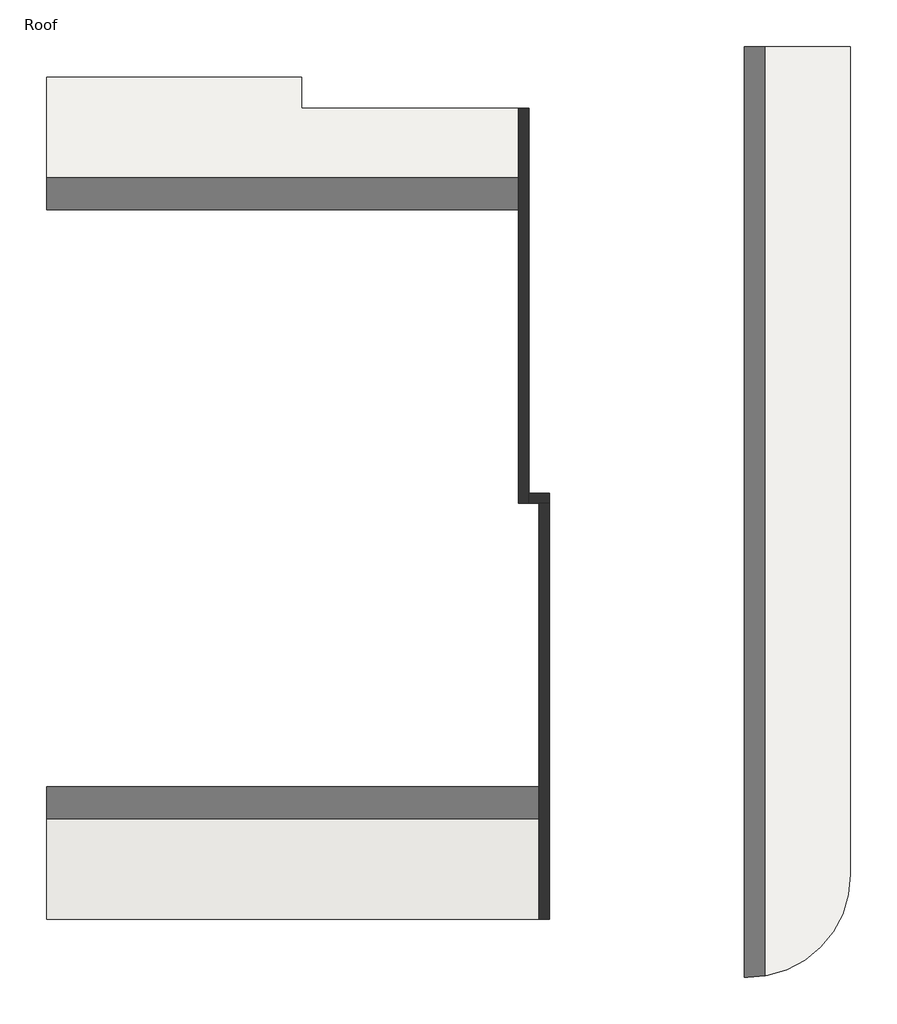
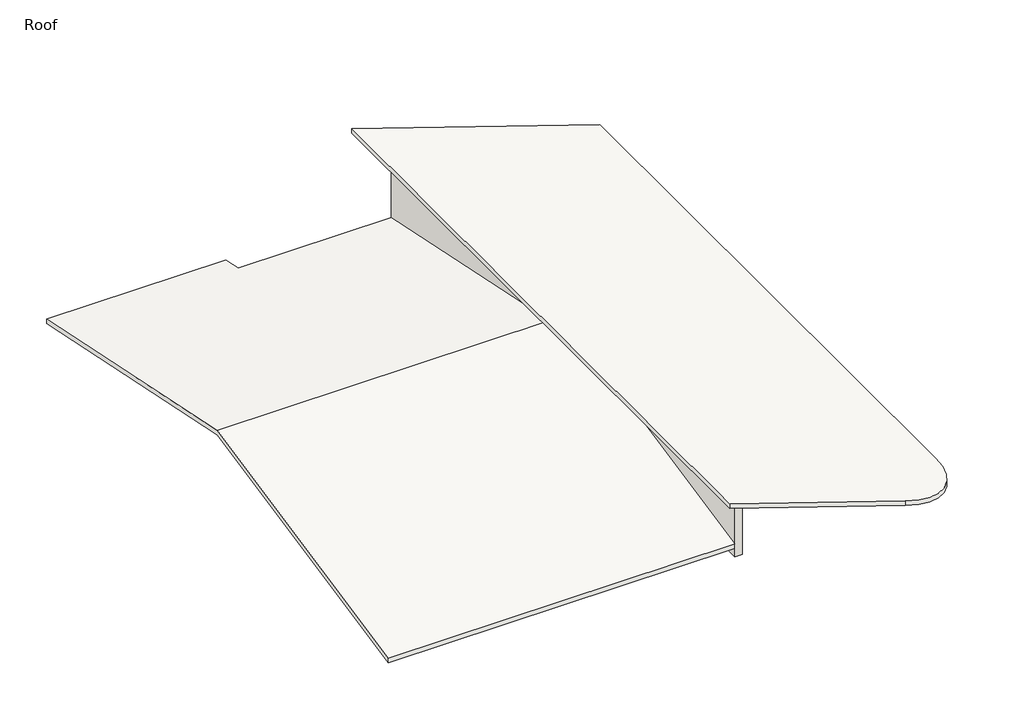
# One storey: 3 walls, 2 roofs.
"""IFC4 building model written with IfcOpenShell, lengths in millimetres."""

import ifcopenshell
import ifcopenshell.guid

model = None  # the IFC model being written
_history = None  # IfcOwnerHistory: only IFC2X3 demands one
_inside = {}  # id of a spatial element -> (the spatial element, [elements in it])
_under = {}  # id of a project, library or spatial element -> (it, [spatial elements below it])
_declared = {}  # id of a project -> (the project, [libraries it declares])
_typed = {}  # id of a type object -> (the type object, [elements of that type])
_made_of = {}  # id of a material, layer set ... -> (it, [elements and type objects made of it])


def new_model(schema):
    """Start an empty IFC model of exactly this schema.

    Asked for "IFC4X3", IfcOpenShell would pick the latest addendum, in which some entities
    have other attributes; the version numbers below select the first issue.
    IFC2X3 requires an IfcOwnerHistory on every rooted entity: one is made here for all.
    """
    global model, _history
    if schema == "IFC4X3":
        model = ifcopenshell.file(schema_version=(4, 3, 0, 0))
    else:
        model = ifcopenshell.file(schema=schema)
    _inside.clear()
    _under.clear()
    _declared.clear()
    _typed.clear()
    _made_of.clear()
    _history = None
    if model.schema == "IFC2X3":
        org = make("IfcOrganization", Name="unknown")
        user = make(
            "IfcPersonAndOrganization",
            ThePerson=make("IfcPerson", FamilyName="unknown"),
            TheOrganization=org,
        )
        app = make(
            "IfcApplication",
            ApplicationDeveloper=org,
            Version="unknown",
            ApplicationFullName="unknown",
            ApplicationIdentifier="unknown",
        )
        _history = make(
            "IfcOwnerHistory",
            OwningUser=user,
            OwningApplication=app,
            ChangeAction="ADDED",
            CreationDate=0,
        )
    return model


def make(cls, **values):
    """One entity of the class cls with the attributes given. An attribute that is None is left unset."""
    return model.create_entity(
        cls, **{name: value for name, value in values.items() if value is not None}
    )


def rooted(cls, **values):
    """An entity with a GlobalId (a new one), such as an element, a storey or a relation."""
    return make(cls, GlobalId=ifcopenshell.guid.new(), OwnerHistory=_history, **values)


def si_unit(unit_type, name, prefix=None):
    """IfcSIUnit, for example si_unit("LENGTHUNIT", "METRE", prefix="MILLI")."""
    return make("IfcSIUnit", UnitType=unit_type, Prefix=prefix, Name=name)


def assignment(units):
    """IfcUnitAssignment: the units of a project."""
    return None if units is None else make("IfcUnitAssignment", Units=units)


def point(xyz):
    """IfcCartesianPoint."""
    return None if xyz is None else make("IfcCartesianPoint", Coordinates=xyz)


def direction(xyz):
    """IfcDirection."""
    return None if xyz is None else make("IfcDirection", DirectionRatios=xyz)


def frame(location, z_axis=None, x_axis=None):
    """IfcAxis2Placement3D, a coordinate frame: its origin and axes. An axis left out is left unset."""
    return make(
        "IfcAxis2Placement3D",
        Location=point(location),
        Axis=direction(z_axis),
        RefDirection=direction(x_axis),
    )


def origin():
    """The frame at (0, 0, 0) with its axes left unset."""
    return frame((0.0, 0.0, 0.0))


def place(relative_to, where):
    """IfcLocalPlacement: puts the frame where relative to a parent placement (None: the world)."""
    return make(
        "IfcLocalPlacement", PlacementRelTo=relative_to, RelativePlacement=where
    )


def context(
    kind, dimensions, precision=None, world=None, true_north=None, identifier=None
):
    """IfcGeometricRepresentationContext, for example the 3D "Model" context."""
    return make(
        "IfcGeometricRepresentationContext",
        ContextIdentifier=identifier,
        ContextType=kind,
        CoordinateSpaceDimension=dimensions,
        Precision=precision,
        WorldCoordinateSystem=world,
        TrueNorth=true_north,
    )


def project(units=None, contexts=None):
    """IfcProject with its units and contexts."""
    return rooted(
        "IfcProject",
        Name="project",
        RepresentationContexts=contexts,
        UnitsInContext=assignment(units),
    )


def spatial(cls, under=None, at=None, **own):
    """A site, building, storey or space (cls), placed at a placement, below another one or the project."""
    s = rooted(cls, ObjectPlacement=at, **own)
    if under is not None:
        _under.setdefault(under.id(), (under, []))[1].append(s)
    return s


def polyline(points):
    """IfcPolyline through the points."""
    return make("IfcPolyline", Points=[point(p) for p in points])


def ellipse_curve(where, semi_axis1, semi_axis2):
    """IfcEllipse in the frame where."""
    return make(
        "IfcEllipse", Position=where, SemiAxis1=semi_axis1, SemiAxis2=semi_axis2
    )


def outline(outer, holes=None, kind="AREA"):
    """IfcArbitraryClosedProfileDef: a profile drawn as a closed curve; with holes, ...WithVoids."""
    if holes is None:
        return make("IfcArbitraryClosedProfileDef", ProfileType=kind, OuterCurve=outer)
    return make(
        "IfcArbitraryProfileDefWithVoids",
        ProfileType=kind,
        OuterCurve=outer,
        InnerCurves=holes,
    )


def extrude(swept, where, along, depth):
    """IfcExtrudedAreaSolid: the profile swept, set in the frame where, extruded along a direction by depth."""
    return make(
        "IfcExtrudedAreaSolid",
        SweptArea=swept,
        Position=where,
        ExtrudedDirection=direction(along),
        Depth=depth,
    )


def faces_of(points, faces, orient=None, outer=None):
    """IfcFace entities. A face is a list of loops; a loop is a list of indices into points, from 0.

    orient and outer hold one flag for each loop. By default every Orientation is true, the
    first loop of a face is its IfcFaceOuterBound and the others are IfcFaceBound.
    """
    made = []
    for i, loops in enumerate(faces):
        bounds = []
        for j, loop in enumerate(loops):
            is_outer = j == 0 if outer is None else outer[i][j]
            bounds.append(
                make(
                    "IfcFaceOuterBound" if is_outer else "IfcFaceBound",
                    Bound=make("IfcPolyLoop", Polygon=[points[k] for k in loop]),
                    Orientation=True if orient is None else orient[i][j],
                )
            )
        made.append(make("IfcFace", Bounds=bounds))
    return made


def faceted_brep(points, faces, orient=None, outer=None, voids=None):
    """IfcFacetedBrep: a solid bounded by flat faces; with voids (closed shells), ...WithVoids."""
    shared = [point(p) for p in points]
    hull = make("IfcClosedShell", CfsFaces=faces_of(shared, faces, orient, outer))
    if voids is None:
        return make("IfcFacetedBrep", Outer=hull)
    return make(
        "IfcFacetedBrepWithVoids",
        Outer=hull,
        Voids=[
            make(cls, CfsFaces=faces_of(shared, fs, o, b)) for cls, fs, o, b in voids
        ],
    )


def shape(context_of_items, identifier, shape_type, items):
    """IfcShapeRepresentation: the items that make up one representation, for example the "Body"."""
    return make(
        "IfcShapeRepresentation",
        ContextOfItems=context_of_items,
        RepresentationIdentifier=identifier,
        RepresentationType=shape_type,
        Items=items,
    )


def made_of(thing, what):
    """Note that an element or type object is made of a material, layer set ...; save() writes the relation."""
    if what is not None:
        _made_of.setdefault(what.id(), (what, []))[1].append(thing)
    return thing


def element(
    cls,
    number,
    at=None,
    inside=None,
    cuts=None,
    type_object=None,
    material=None,
    context=None,
    identifier="Body",
    shape_type=None,
    held_by="IfcProductDefinitionShape",
    body=None,
    shapes=None,
    **own,
):
    """One element of the class cls, such as IfcWall. Its Tag is "e" and its number.

    at: its placement. inside: the storey or other place that contains it. cuts: it is an
    opening in that element (IfcRelVoidsElement). A single representation is given by context,
    identifier, shape_type and body (its items); several are given by shapes. held_by: the class
    of the entity that holds the representations. save() writes the other relations.
    """
    e = rooted(cls, Tag="e%d" % number, ObjectPlacement=at, **own)
    if body is not None:
        shapes = [shape(context, identifier, shape_type, body)]
    if shapes is not None:
        e.Representation = make(held_by, Representations=shapes)
    if inside is not None:
        _inside.setdefault(inside.id(), (inside, []))[1].append(e)
    if cuts is not None:
        rooted(
            "IfcRelVoidsElement", RelatingBuildingElement=cuts, RelatedOpeningElement=e
        )
    if type_object is not None:
        _typed.setdefault(type_object.id(), (type_object, []))[1].append(e)
    return made_of(e, material)


def aggregate(whole, parts):
    """IfcRelAggregates: a whole, such as a stair, and the parts it consists of."""
    return rooted("IfcRelAggregates", RelatingObject=whole, RelatedObjects=parts)


def save(model, path):
    """Write the relations noted so far, then the file.

    IfcRelAggregates (storeys below a building ...), IfcRelContainedInSpatialStructure (elements
    in a storey), IfcRelDefinesByType, IfcRelAssociatesMaterial and IfcRelDeclares: one each for
    every whole, place, type object, material and project.
    """
    for whole, parts in _under.values():
        aggregate(whole, parts)
    for where, things in _inside.values():
        rooted(
            "IfcRelContainedInSpatialStructure",
            RelatedElements=things,
            RelatingStructure=where,
        )
    for kind, things in _typed.values():
        rooted("IfcRelDefinesByType", RelatedObjects=things, RelatingType=kind)
    for what, things in _made_of.values():
        rooted("IfcRelAssociatesMaterial", RelatedObjects=things, RelatingMaterial=what)
    for by, libraries in _declared.values():
        rooted("IfcRelDeclares", RelatingContext=by, RelatedDefinitions=libraries)
    model.write(path)


def plane_surface(at):
    """IfcPlane: the flat surface through the origin of the frame at, square to its z axis."""
    return make("IfcPlane", Position=at)


def cylinder_surface(at, radius):
    """IfcCylindricalSurface: all points at the distance radius from the z axis of the frame at."""
    return make("IfcCylindricalSurface", Position=at, Radius=radius)


def advanced_brep(points, edges, surfaces, faces):
    """IfcAdvancedBrep: a solid bounded by faces that lie on surfaces and meet in shared edges.

    An edge is (start, end): straight between two places in points (the first is 0);
    or (start, end, curve); or (start, end, curve, False) where it runs against its curve.
    A face is (place in surfaces, loops), or (place, loops, False) where it looks against
    its surface's normal. A loop lists edges by number (the first is 1), with a minus sign
    where the edge is run from its end to its start. The first loop is the outer one.
    """
    corners = [point(p) for p in points]
    vertices = [make("IfcVertexPoint", VertexGeometry=c) for c in corners]
    made = []
    for start, end, *more in edges:
        made.append(
            make(
                "IfcEdgeCurve",
                EdgeStart=vertices[start],
                EdgeEnd=vertices[end],
                EdgeGeometry=more[0] if more else make("IfcPolyline", Points=[corners[start], corners[end]]),
                SameSense=more[1] if len(more) > 1 else True,
            )
        )
    hull = []
    for where, loops, *sense in faces:
        bounds = []
        for j, loop in enumerate(loops):
            ring = [make("IfcOrientedEdge", EdgeElement=made[abs(k) - 1], Orientation=k > 0) for k in loop]
            bounds.append(
                make(
                    "IfcFaceOuterBound" if j == 0 else "IfcFaceBound",
                    Bound=make("IfcEdgeLoop", EdgeList=ring),
                    Orientation=True,
                )
            )
        hull.append(make("IfcAdvancedFace", Bounds=bounds, FaceSurface=surfaces[where], SameSense=sense[0] if sense else True))
    return make("IfcAdvancedBrep", Outer=make("IfcClosedShell", CfsFaces=hull))


model = new_model("IFC4")

# Units and contexts
model_context = context("Model", 3, world=origin())
ifc_project = project(units=[si_unit("LENGTHUNIT", "METRE", prefix="MILLI")], contexts=[model_context])

# Site, building, storey
site = spatial("IfcSite", under=ifc_project)
building = spatial("IfcBuilding", under=site)
storey = spatial("IfcBuildingStorey", under=building, Name="Roof", Elevation=9144.0)

# Roofs
placement = place(None, origin())
element("IfcRoof", 1, ObjectType="Insulation on Metal Deck - EPDM", at=placement, inside=storey, context=model_context, shape_type="AdvancedBrep", body=[
    advanced_brep(
    [(10561.2601743, 11609.8492079, 12784.6666667), (21026.0601743, 11609.8492079, 9296.4), (21026.0601743, -12977.3507921, 9296.4), (17978.0601743, -16025.3507921, 10312.4), (10561.2601743, -16025.3507921, 12784.6666667), (21026.0601743, 11609.8492079, 9503.8981191), (10561.2601743, 11609.8492079, 12992.1647858), (10561.2601743, -16025.3507921, 12992.1647858), (17978.0601743, -16025.3507921, 10519.8981191), (21026.0601743, -12977.3507921, 9503.8981191)],
    [
        (0, 1),
        (1, 2),
        (2, 3, ellipse_curve(frame((17978.0601743, -12977.3507921, 10312.4), z_axis=(-0.3162277660168387, 0.0, -0.9486832980505137), x_axis=(-0.9486832980505137, 0.0, 0.31622776601683816)), 3212.8741027, 3048.0)),
        (3, 4),
        (4, 0),
        (5, 6),
        (6, 7),
        (7, 8),
        (8, 9, ellipse_curve(frame((17978.0601743, -12977.3507921, 10519.8981191), z_axis=(0.31622776601683866, 0.0, 0.9486832980505137), x_axis=(-0.9486832980505137, 0.0, 0.31622776601683816)), 3212.8741027, 3048.0)),
        (9, 5),
        (1, 5),
        (9, 2),
        (0, 6),
        (4, 7),
        (3, 8),
    ],
    [
        plane_surface(frame((21026.0601743, -12977.3507921, 9296.4), z_axis=(-0.3162277660168387, 0.0, -0.9486832980505137), x_axis=(0.0, 1.0, 0.0))),
        plane_surface(frame((21026.0601743, -12977.3507921, 9503.8981191), z_axis=(0.31622776601683866, 0.0, 0.9486832980505137), x_axis=(0.0, 1.0, 0.0))),
        plane_surface(frame((21026.0601743, -683.7507921, 9296.4), z_axis=(1.0, 0.0, 0.0), x_axis=(0.0, 1.0, 0.0))),
        plane_surface(frame((21026.0601743, 11609.8492079, 0.0), z_axis=(0.0, 1.0, 0.0), x_axis=(-1.0, 0.0, 0.0))),
        plane_surface(frame((10561.2601743, 11609.8492079, 0.0), z_axis=(-1.0, 0.0, 0.0), x_axis=(0.0, -1.0, 0.0))),
        plane_surface(frame((10561.2601743, -16025.3507921, 0.0), z_axis=(0.0, -1.0, 0.0), x_axis=(1.0, 0.0, 0.0))),
        cylinder_surface(frame((17978.0601743, -12977.3507921, 0.0), z_axis=(0.0, 0.0, 1.0), x_axis=(1.0, 0.0, 0.0)), 3048.0),
    ],
    [
        (0, [[1, 2, 3, 4, 5]]),
        (1, [[6, 7, 8, 9, 10]]),
        (2, [[11, -10, 12, -2]]),
        (3, [[-6, -11, -1, 13]]),
        (4, [[-7, -13, -5, 14]]),
        (5, [[-8, -14, -4, 15]]),
        (6, [[-9, -15, -3, -12]]),
    ],
),
])
element("IfcRoof", 2, ObjectType="Insulation on Metal Deck - EPDM", at=placement, inside=storey, context=model_context, shape_type="Brep", body=[
    faceted_brep([(-2849.9398257, -1801.3507921, 12128.5), (-2849.9398257, 10695.4492079, 9525.0), (4719.2601743, 10695.4492079, 9525.0), (4719.2601743, 9781.0492079, 9715.5), (11170.8601743, 9781.0492079, 9715.5), (11170.8601743, -1801.3507921, 12128.5), (11780.4601743, -14298.1507921, 9525.0), (-2849.9398257, -14298.1507921, 9525.0), (11170.8601743, -1953.7507921, 12096.75), (11780.4601743, -1953.7507921, 12096.75), (-2849.9398257, 10695.4492079, 9726.0765446), (-2849.9398257, -1801.3507921, 12329.5765446), (11170.8601743, -1801.3507921, 12329.5765446), (11170.8601743, 9781.0492079, 9916.5765446), (4719.2601743, 9781.0492079, 9916.5765446), (4719.2601743, 10695.4492079, 9726.0765446), (-2849.9398257, -14298.1507921, 9726.0765446), (11780.4601743, -14298.1507921, 9726.0765446), (11780.4601743, -1953.7507921, 12297.8265446), (11170.8601743, -1953.7507921, 12297.8265446)], [[[0, 1, 2, 3, 4, 5]], [[6, 7, 0, 5, 8, 9]], [[10, 11, 12, 13, 14, 15]], [[16, 17, 18, 19, 12, 11]], [[6, 17, 16, 7]], [[1, 10, 15, 2]], [[16, 11, 10, 1, 0, 7]], [[13, 12, 19, 8, 5, 4]], [[15, 14, 3, 2]], [[14, 13, 4, 3]], [[19, 18, 9, 8]], [[18, 17, 6, 9]]]),
])

# Walls
element("IfcWall", 3, ObjectType="Generic - 12\"", at=placement, inside=storey, context=model_context, shape_type="Brep", body=[
    faceted_brep([(11170.8601743, 9781.0492079, 9144.0), (11170.8601743, -1953.7507921, 9144.0), (11170.8601743, -1953.7507921, 12581.4666667), (11170.8601743, 9781.0492079, 12581.4666667), (11475.6601743, 9781.0492079, 9144.0), (11475.6601743, 9781.0492079, 12479.8666667), (11475.6601743, -1648.9507921, 12479.8666667), (11475.6601743, -1953.7507921, 12479.8666667), (11475.6601743, -1953.7507921, 9144.0), (11475.6601743, -1648.9507921, 9144.0)], [[[0, 1, 2, 3]], [[4, 5, 6, 7, 8, 9]], [[1, 0, 4, 9, 8]], [[2, 1, 8, 7]], [[3, 2, 7, 6, 5]], [[0, 3, 5, 4]]]),
])
element("IfcWall", 4, ObjectType="Generic - 12\"", at=placement, inside=storey, context=model_context, shape_type="Brep", body=[
    faceted_brep([(11475.6601743, -1953.7507921, 9144.0), (11780.4601743, -1953.7507921, 9144.0), (12085.2601743, -1953.7507921, 9144.0), (12085.2601743, -1953.7507921, 12276.6666667), (11780.4601743, -1953.7507921, 12378.2666667), (11475.6601743, -1953.7507921, 12479.8666667), (11475.6601743, -1648.9507921, 9144.0), (11475.6601743, -1648.9507921, 12479.8666667), (12085.2601743, -1648.9507921, 12276.6666667), (12085.2601743, -1648.9507921, 9144.0)], [[[0, 1, 2, 3, 4, 5]], [[6, 7, 8, 9]], [[2, 1, 0, 6, 9]], [[0, 5, 7, 6]], [[3, 2, 9, 8]], [[5, 4, 3, 8, 7]]]),
])
element("IfcWall", 5, ObjectType="Generic - 12\"", at=placement, inside=storey, context=model_context, shape_type="SweptSolid", body=[
    extrude(outline(polyline([(9144.0, 12085.2601743), (12276.6666667, 12085.2601743), (12378.2666667, 11780.4601743), (9144.0, 11780.4601743), (9144.0, 12085.2601743)])), frame((0.0, -14298.1507921, 0.0), z_axis=(0.0, 1.0, 0.0), x_axis=(0.0, 0.0, 1.0)), (0.0, 0.0, 1.0), 12344.4),
])

save(model, "model.ifc")
